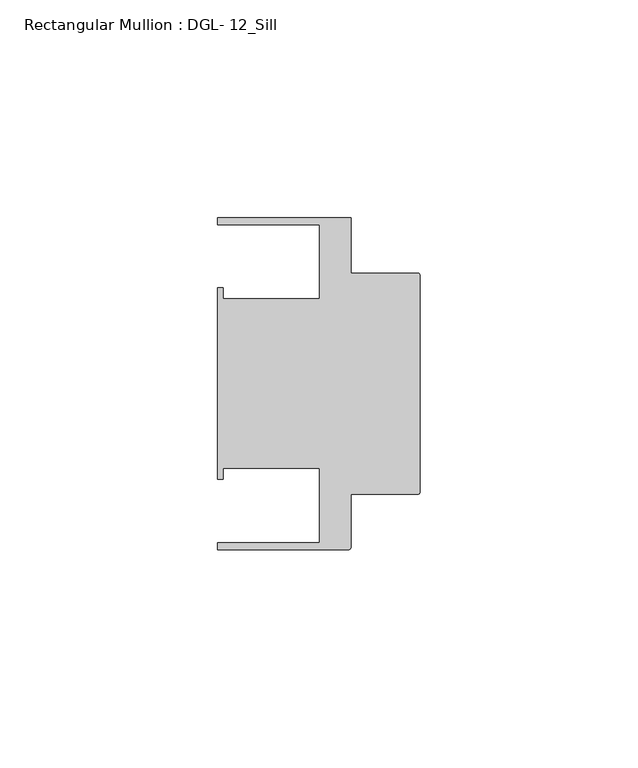
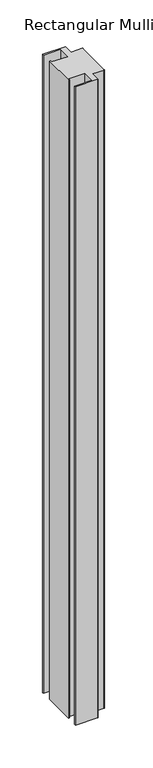
"""IFC4 building model written with IfcOpenShell, lengths in millimetres: member geometry, Rectangular Mullion : DGL- 12_Sill."""

from ifc_helpers import new_model, si_unit, point, frame, frame_2d, origin, place, context, project, spatial, polyline, circle_curve, trimmed, segment, composite_curve, outline, extrude, source, transform, mapped, element, save


def rectangular_mullion_dgl_12_sill_bb7b0965(model_context):
    return source(origin(), model_context, "Body", "SweptSolid", [
        extrude(outline(composite_curve([segment(trimmed(circle_curve(frame_2d((-0.5953125, 24.8046875)), 0.5953125), [point((-0.5953125, 25.4))], [point((0.0, 24.8046875))], False, "CARTESIAN"), True, "CONTINUOUS"), segment(polyline([(0.0, 24.8046875), (0.0, -24.8046875)]), True, "CONTINUOUS"), segment(trimmed(circle_curve(frame_2d((-0.5953125, -24.8046875)), 0.5953125), [point((0.0, -24.8046875))], [point((-0.5953125, -25.4))], False, "CARTESIAN"), True, "CONTINUOUS"), segment(polyline([(-0.5953125, -25.4), (-15.8750672, -25.4), (-15.8750672, -37.5047035)]), True, "CONTINUOUS"), segment(trimmed(circle_curve(frame_2d((-16.4703797, -37.5047035)), 0.5953125), [point((-15.8750672, -37.5047035))], [point((-16.4703797, -38.100016))], False, "CARTESIAN"), True, "CONTINUOUS"), segment(polyline([(-16.4703797, -38.100016), (-46.54296, -38.100016), (-46.54296, -36.512516), (-23.1202791, -36.512516), (-23.1202791, -19.4824275), (-45.2865266, -19.4824275), (-45.2865266, -21.9710976), (-46.54296, -21.9710976), (-46.54296, 21.9710976), (-45.2865266, 21.9710976), (-45.2865266, 19.4824275), (-23.1202791, 19.4824275), (-23.1202791, 36.512516), (-46.54296, 36.512516), (-46.54296, 38.0996792), (-15.8750672, 38.0996792), (-15.8750672, 25.4), (-0.5953125, 25.4)]), True, "CONTINUOUS")], self_intersect=False)), frame((0.0, 0.0, -908.05), z_axis=(0.0, 0.0, 1.0), x_axis=(1.0, 0.0, 0.0)), (0.0, 0.0, 1.0), 908.05),
    ])


if __name__ == "__main__":
    model = new_model("IFC4")
    model_context = context("Model", 3, world=origin())
    ifc_project = project(units=[si_unit("LENGTHUNIT", "METRE", prefix="MILLI")], contexts=[model_context])
    site = spatial("IfcSite", under=ifc_project)
    building = spatial("IfcBuilding", under=site)
    placement = place(None, origin())
    rectangular_mullion_dgl_12_sill_shape = rectangular_mullion_dgl_12_sill_bb7b0965(model_context)
    element("IfcMember", 1, ObjectType="Rectangular Mullion : DGL- 12_Sill", at=placement, inside=building, context=model_context, shape_type="MappedRepresentation", body=[
        mapped(rectangular_mullion_dgl_12_sill_shape, transform((0.0, 0.0, 0.0), x_axis=(1.0, 0.0, 0.0), y_axis=(0.0, 1.0, 0.0), z_axis=(0.0, 0.0, 1.0))),
    ])
    save(model, "model.ifc")
